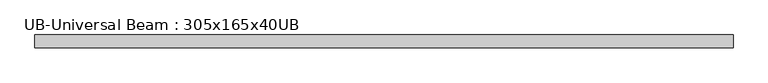
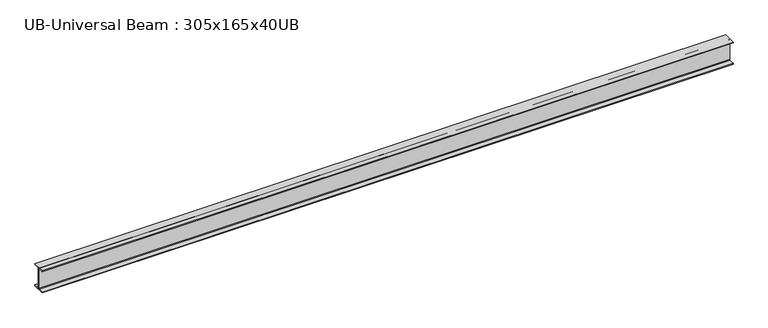
"""IFC4 building model written with IfcOpenShell, lengths in millimetres: beam geometry, UB-Universal Beam : 305x165x40UB."""

import ifcopenshell
import ifcopenshell.guid

model = None  # the IFC model being written
_history = None  # IfcOwnerHistory: only IFC2X3 demands one
_inside = {}  # id of a spatial element -> (the spatial element, [elements in it])
_under = {}  # id of a project, library or spatial element -> (it, [spatial elements below it])
_declared = {}  # id of a project -> (the project, [libraries it declares])
_typed = {}  # id of a type object -> (the type object, [elements of that type])
_made_of = {}  # id of a material, layer set ... -> (it, [elements and type objects made of it])


def new_model(schema):
    """Start an empty IFC model of exactly this schema.

    Asked for "IFC4X3", IfcOpenShell would pick the latest addendum, in which some entities
    have other attributes; the version numbers below select the first issue.
    IFC2X3 requires an IfcOwnerHistory on every rooted entity: one is made here for all.
    """
    global model, _history
    if schema == "IFC4X3":
        model = ifcopenshell.file(schema_version=(4, 3, 0, 0))
    else:
        model = ifcopenshell.file(schema=schema)
    _inside.clear()
    _under.clear()
    _declared.clear()
    _typed.clear()
    _made_of.clear()
    _history = None
    if model.schema == "IFC2X3":
        org = make("IfcOrganization", Name="unknown")
        user = make(
            "IfcPersonAndOrganization",
            ThePerson=make("IfcPerson", FamilyName="unknown"),
            TheOrganization=org,
        )
        app = make(
            "IfcApplication",
            ApplicationDeveloper=org,
            Version="unknown",
            ApplicationFullName="unknown",
            ApplicationIdentifier="unknown",
        )
        _history = make(
            "IfcOwnerHistory",
            OwningUser=user,
            OwningApplication=app,
            ChangeAction="ADDED",
            CreationDate=0,
        )
    return model


def make(cls, **values):
    """One entity of the class cls with the attributes given. An attribute that is None is left unset."""
    return model.create_entity(
        cls, **{name: value for name, value in values.items() if value is not None}
    )


def rooted(cls, **values):
    """An entity with a GlobalId (a new one), such as an element, a storey or a relation."""
    return make(cls, GlobalId=ifcopenshell.guid.new(), OwnerHistory=_history, **values)


def si_unit(unit_type, name, prefix=None):
    """IfcSIUnit, for example si_unit("LENGTHUNIT", "METRE", prefix="MILLI")."""
    return make("IfcSIUnit", UnitType=unit_type, Prefix=prefix, Name=name)


def assignment(units):
    """IfcUnitAssignment: the units of a project."""
    return None if units is None else make("IfcUnitAssignment", Units=units)


def point(xyz):
    """IfcCartesianPoint."""
    return None if xyz is None else make("IfcCartesianPoint", Coordinates=xyz)


def direction(xyz):
    """IfcDirection."""
    return None if xyz is None else make("IfcDirection", DirectionRatios=xyz)


def frame(location, z_axis=None, x_axis=None):
    """IfcAxis2Placement3D, a coordinate frame: its origin and axes. An axis left out is left unset."""
    return make(
        "IfcAxis2Placement3D",
        Location=point(location),
        Axis=direction(z_axis),
        RefDirection=direction(x_axis),
    )


def frame_2d(location, x_axis=None):
    """IfcAxis2Placement2D, a coordinate frame in the plane: its origin and x axis."""
    return make(
        "IfcAxis2Placement2D", Location=point(location), RefDirection=direction(x_axis)
    )


def origin():
    """The frame at (0, 0, 0) with its axes left unset."""
    return frame((0.0, 0.0, 0.0))


def place(relative_to, where):
    """IfcLocalPlacement: puts the frame where relative to a parent placement (None: the world)."""
    return make(
        "IfcLocalPlacement", PlacementRelTo=relative_to, RelativePlacement=where
    )


def context(
    kind, dimensions, precision=None, world=None, true_north=None, identifier=None
):
    """IfcGeometricRepresentationContext, for example the 3D "Model" context."""
    return make(
        "IfcGeometricRepresentationContext",
        ContextIdentifier=identifier,
        ContextType=kind,
        CoordinateSpaceDimension=dimensions,
        Precision=precision,
        WorldCoordinateSystem=world,
        TrueNorth=true_north,
    )


def project(units=None, contexts=None):
    """IfcProject with its units and contexts."""
    return rooted(
        "IfcProject",
        Name="project",
        RepresentationContexts=contexts,
        UnitsInContext=assignment(units),
    )


def spatial(cls, under=None, at=None, **own):
    """A site, building, storey or space (cls), placed at a placement, below another one or the project."""
    s = rooted(cls, ObjectPlacement=at, **own)
    if under is not None:
        _under.setdefault(under.id(), (under, []))[1].append(s)
    return s


def polyline(points):
    """IfcPolyline through the points."""
    return make("IfcPolyline", Points=[point(p) for p in points])


def circle_curve(where, radius):
    """IfcCircle in the frame where."""
    return make("IfcCircle", Position=where, Radius=radius)


def trimmed(basis, trim1, trim2, sense, master):
    """IfcTrimmedCurve: the piece of a basis curve between two trims."""
    return make(
        "IfcTrimmedCurve",
        BasisCurve=basis,
        Trim1=trim1,
        Trim2=trim2,
        SenseAgreement=sense,
        MasterRepresentation=master,
    )


def segment(curve, same_sense, transition):
    """IfcCompositeCurveSegment."""
    return make(
        "IfcCompositeCurveSegment",
        Transition=transition,
        SameSense=same_sense,
        ParentCurve=curve,
    )


def composite_curve(segments, self_intersect=None):
    """IfcCompositeCurve: segments joined end to end."""
    return make("IfcCompositeCurve", Segments=segments, SelfIntersect=self_intersect)


def outline(outer, holes=None, kind="AREA"):
    """IfcArbitraryClosedProfileDef: a profile drawn as a closed curve; with holes, ...WithVoids."""
    if holes is None:
        return make("IfcArbitraryClosedProfileDef", ProfileType=kind, OuterCurve=outer)
    return make(
        "IfcArbitraryProfileDefWithVoids",
        ProfileType=kind,
        OuterCurve=outer,
        InnerCurves=holes,
    )


def extrude(swept, where, along, depth):
    """IfcExtrudedAreaSolid: the profile swept, set in the frame where, extruded along a direction by depth."""
    return make(
        "IfcExtrudedAreaSolid",
        SweptArea=swept,
        Position=where,
        ExtrudedDirection=direction(along),
        Depth=depth,
    )


def shape(context_of_items, identifier, shape_type, items):
    """IfcShapeRepresentation: the items that make up one representation, for example the "Body"."""
    return make(
        "IfcShapeRepresentation",
        ContextOfItems=context_of_items,
        RepresentationIdentifier=identifier,
        RepresentationType=shape_type,
        Items=items,
    )


def source(mapping_origin, context_of_items, identifier, shape_type, items):
    """IfcRepresentationMap: a shape defined once, which mapped items show again and again."""
    return make(
        "IfcRepresentationMap",
        MappingOrigin=mapping_origin,
        MappedRepresentation=shape(context_of_items, identifier, shape_type, items),
    )


def transform(
    local_origin,
    x_axis=None,
    y_axis=None,
    z_axis=None,
    scale=None,
    scale2=None,
    scale3=None,
    uniform=True,
):
    """IfcCartesianTransformationOperator3D, or its non-uniform kind. x_axis, y_axis, z_axis: its Axis1, 2, 3."""
    if uniform:
        return make(
            "IfcCartesianTransformationOperator3D",
            Axis1=direction(x_axis),
            Axis2=direction(y_axis),
            LocalOrigin=point(local_origin),
            Scale=scale,
            Axis3=direction(z_axis),
        )
    return make(
        "IfcCartesianTransformationOperator3DnonUniform",
        Axis1=direction(x_axis),
        Axis2=direction(y_axis),
        LocalOrigin=point(local_origin),
        Scale=scale,
        Axis3=direction(z_axis),
        Scale2=scale2,
        Scale3=scale3,
    )


def mapped(mapping_source, mapping_target):
    """IfcMappedItem: shows the shape of a source again, moved by a transform."""
    return make(
        "IfcMappedItem", MappingSource=mapping_source, MappingTarget=mapping_target
    )


def made_of(thing, what):
    """Note that an element or type object is made of a material, layer set ...; save() writes the relation."""
    if what is not None:
        _made_of.setdefault(what.id(), (what, []))[1].append(thing)
    return thing


def element(
    cls,
    number,
    at=None,
    inside=None,
    cuts=None,
    type_object=None,
    material=None,
    context=None,
    identifier="Body",
    shape_type=None,
    held_by="IfcProductDefinitionShape",
    body=None,
    shapes=None,
    **own,
):
    """One element of the class cls, such as IfcWall. Its Tag is "e" and its number.

    at: its placement. inside: the storey or other place that contains it. cuts: it is an
    opening in that element (IfcRelVoidsElement). A single representation is given by context,
    identifier, shape_type and body (its items); several are given by shapes. held_by: the class
    of the entity that holds the representations. save() writes the other relations.
    """
    e = rooted(cls, Tag="e%d" % number, ObjectPlacement=at, **own)
    if body is not None:
        shapes = [shape(context, identifier, shape_type, body)]
    if shapes is not None:
        e.Representation = make(held_by, Representations=shapes)
    if inside is not None:
        _inside.setdefault(inside.id(), (inside, []))[1].append(e)
    if cuts is not None:
        rooted(
            "IfcRelVoidsElement", RelatingBuildingElement=cuts, RelatedOpeningElement=e
        )
    if type_object is not None:
        _typed.setdefault(type_object.id(), (type_object, []))[1].append(e)
    return made_of(e, material)


def aggregate(whole, parts):
    """IfcRelAggregates: a whole, such as a stair, and the parts it consists of."""
    return rooted("IfcRelAggregates", RelatingObject=whole, RelatedObjects=parts)


def save(model, path):
    """Write the relations noted so far, then the file.

    IfcRelAggregates (storeys below a building ...), IfcRelContainedInSpatialStructure (elements
    in a storey), IfcRelDefinesByType, IfcRelAssociatesMaterial and IfcRelDeclares: one each for
    every whole, place, type object, material and project.
    """
    for whole, parts in _under.values():
        aggregate(whole, parts)
    for where, things in _inside.values():
        rooted(
            "IfcRelContainedInSpatialStructure",
            RelatedElements=things,
            RelatingStructure=where,
        )
    for kind, things in _typed.values():
        rooted("IfcRelDefinesByType", RelatedObjects=things, RelatingType=kind)
    for what, things in _made_of.values():
        rooted("IfcRelAssociatesMaterial", RelatedObjects=things, RelatingMaterial=what)
    for by, libraries in _declared.values():
        rooted("IfcRelDeclares", RelatingContext=by, RelatedDefinitions=libraries)
    model.write(path)


def ub_universal_beam_305x165x40ub_3e2dea6f(model_context):
    return source(origin(), model_context, "Body", "SweptSolid", [
        extrude(outline(composite_curve([segment(polyline([(82.5, -141.5), (82.5, -151.7), (-82.5, -151.7), (-82.5, -141.5), (-11.9, -141.5)]), True, "CONTINUOUS"), segment(trimmed(circle_curve(frame_2d((-11.9, -132.6)), 8.9), [point((-11.9, -141.5))], [point((-3.0, -132.6))], True, "CARTESIAN"), True, "CONTINUOUS"), segment(polyline([(-3.0, -132.6), (-3.0, 132.6)]), True, "CONTINUOUS"), segment(trimmed(circle_curve(frame_2d((-11.9, 132.6)), 8.9), [point((-3.0, 132.6))], [point((-11.9, 141.5))], True, "CARTESIAN"), True, "CONTINUOUS"), segment(polyline([(-11.9, 141.5), (-82.5, 141.5), (-82.5, 151.7), (82.5, 151.7), (82.5, 141.5), (11.9, 141.5)]), True, "CONTINUOUS"), segment(trimmed(circle_curve(frame_2d((11.9, 132.6)), 8.9), [point((11.9, 141.5))], [point((3.0, 132.6))], True, "CARTESIAN"), True, "CONTINUOUS"), segment(polyline([(3.0, 132.6), (3.0, -132.6)]), True, "CONTINUOUS"), segment(trimmed(circle_curve(frame_2d((11.9, -132.6)), 8.9), [point((3.0, -132.6))], [point((11.9, -141.5))], True, "CARTESIAN"), True, "CONTINUOUS"), segment(polyline([(11.9, -141.5), (82.5, -141.5)]), True, "CONTINUOUS")], self_intersect=False)), frame((-4550.0, 0.0, 0.0), z_axis=(1.0, 0.0, 0.0), x_axis=(0.0, 1.0, 0.0)), (0.0, 0.0, 1.0), 9001.55),
    ])


if __name__ == "__main__":
    model = new_model("IFC4")
    model_context = context("Model", 3, world=origin())
    ifc_project = project(units=[si_unit("LENGTHUNIT", "METRE", prefix="MILLI")], contexts=[model_context])
    site = spatial("IfcSite", under=ifc_project)
    building = spatial("IfcBuilding", under=site)
    placement = place(None, origin())
    ub_universal_beam_305x165x40ub_shape = ub_universal_beam_305x165x40ub_3e2dea6f(model_context)
    element("IfcBeam", 1, ObjectType="UB-Universal Beam : 305x165x40UB", at=placement, inside=building, context=model_context, shape_type="MappedRepresentation", body=[
        mapped(ub_universal_beam_305x165x40ub_shape, transform((0.0, 0.0, 0.0), x_axis=(1.0, 0.0, 0.0), y_axis=(0.0, 1.0, 0.0), z_axis=(0.0, 0.0, 1.0))),
    ])
    save(model, "model.ifc")
